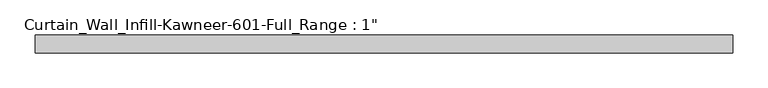
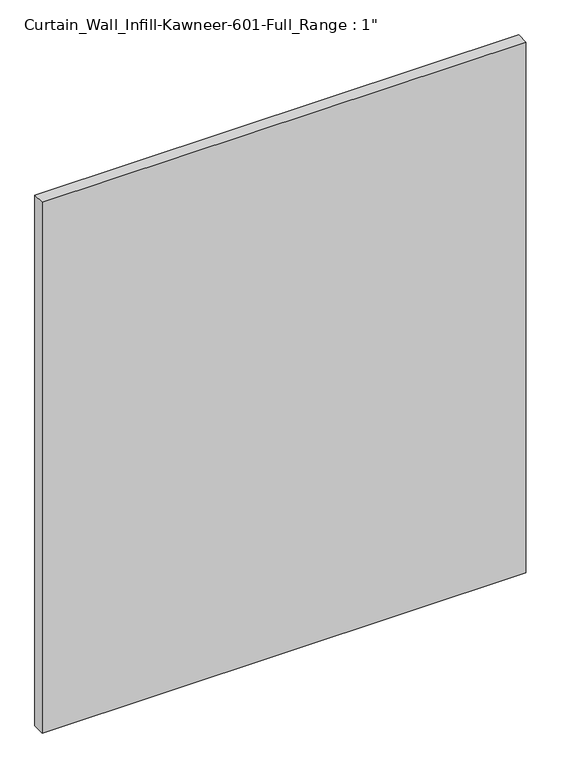
"""IFC4 building model written with IfcOpenShell, lengths in millimetres: plate geometry."""

import ifcopenshell
import ifcopenshell.guid

model = None  # the IFC model being written
_history = None  # IfcOwnerHistory: only IFC2X3 demands one
_inside = {}  # id of a spatial element -> (the spatial element, [elements in it])
_under = {}  # id of a project, library or spatial element -> (it, [spatial elements below it])
_declared = {}  # id of a project -> (the project, [libraries it declares])
_typed = {}  # id of a type object -> (the type object, [elements of that type])
_made_of = {}  # id of a material, layer set ... -> (it, [elements and type objects made of it])


def new_model(schema):
    """Start an empty IFC model of exactly this schema.

    Asked for "IFC4X3", IfcOpenShell would pick the latest addendum, in which some entities
    have other attributes; the version numbers below select the first issue.
    IFC2X3 requires an IfcOwnerHistory on every rooted entity: one is made here for all.
    """
    global model, _history
    if schema == "IFC4X3":
        model = ifcopenshell.file(schema_version=(4, 3, 0, 0))
    else:
        model = ifcopenshell.file(schema=schema)
    _inside.clear()
    _under.clear()
    _declared.clear()
    _typed.clear()
    _made_of.clear()
    _history = None
    if model.schema == "IFC2X3":
        org = make("IfcOrganization", Name="unknown")
        user = make(
            "IfcPersonAndOrganization",
            ThePerson=make("IfcPerson", FamilyName="unknown"),
            TheOrganization=org,
        )
        app = make(
            "IfcApplication",
            ApplicationDeveloper=org,
            Version="unknown",
            ApplicationFullName="unknown",
            ApplicationIdentifier="unknown",
        )
        _history = make(
            "IfcOwnerHistory",
            OwningUser=user,
            OwningApplication=app,
            ChangeAction="ADDED",
            CreationDate=0,
        )
    return model


def make(cls, **values):
    """One entity of the class cls with the attributes given. An attribute that is None is left unset."""
    return model.create_entity(
        cls, **{name: value for name, value in values.items() if value is not None}
    )


def rooted(cls, **values):
    """An entity with a GlobalId (a new one), such as an element, a storey or a relation."""
    return make(cls, GlobalId=ifcopenshell.guid.new(), OwnerHistory=_history, **values)


def si_unit(unit_type, name, prefix=None):
    """IfcSIUnit, for example si_unit("LENGTHUNIT", "METRE", prefix="MILLI")."""
    return make("IfcSIUnit", UnitType=unit_type, Prefix=prefix, Name=name)


def assignment(units):
    """IfcUnitAssignment: the units of a project."""
    return None if units is None else make("IfcUnitAssignment", Units=units)


def point(xyz):
    """IfcCartesianPoint."""
    return None if xyz is None else make("IfcCartesianPoint", Coordinates=xyz)


def direction(xyz):
    """IfcDirection."""
    return None if xyz is None else make("IfcDirection", DirectionRatios=xyz)


def frame(location, z_axis=None, x_axis=None):
    """IfcAxis2Placement3D, a coordinate frame: its origin and axes. An axis left out is left unset."""
    return make(
        "IfcAxis2Placement3D",
        Location=point(location),
        Axis=direction(z_axis),
        RefDirection=direction(x_axis),
    )


def origin():
    """The frame at (0, 0, 0) with its axes left unset."""
    return frame((0.0, 0.0, 0.0))


def origin_with_axes():
    """The frame at (0, 0, 0) with the z axis (0, 0, 1) and the x axis (1, 0, 0) written out."""
    return frame((0.0, 0.0, 0.0), z_axis=(0.0, 0.0, 1.0), x_axis=(1.0, 0.0, 0.0))


def place(relative_to, where):
    """IfcLocalPlacement: puts the frame where relative to a parent placement (None: the world)."""
    return make(
        "IfcLocalPlacement", PlacementRelTo=relative_to, RelativePlacement=where
    )


def context(
    kind, dimensions, precision=None, world=None, true_north=None, identifier=None
):
    """IfcGeometricRepresentationContext, for example the 3D "Model" context."""
    return make(
        "IfcGeometricRepresentationContext",
        ContextIdentifier=identifier,
        ContextType=kind,
        CoordinateSpaceDimension=dimensions,
        Precision=precision,
        WorldCoordinateSystem=world,
        TrueNorth=true_north,
    )


def project(units=None, contexts=None):
    """IfcProject with its units and contexts."""
    return rooted(
        "IfcProject",
        Name="project",
        RepresentationContexts=contexts,
        UnitsInContext=assignment(units),
    )


def spatial(cls, under=None, at=None, **own):
    """A site, building, storey or space (cls), placed at a placement, below another one or the project."""
    s = rooted(cls, ObjectPlacement=at, **own)
    if under is not None:
        _under.setdefault(under.id(), (under, []))[1].append(s)
    return s


def polyline(points):
    """IfcPolyline through the points."""
    return make("IfcPolyline", Points=[point(p) for p in points])


def outline(outer, holes=None, kind="AREA"):
    """IfcArbitraryClosedProfileDef: a profile drawn as a closed curve; with holes, ...WithVoids."""
    if holes is None:
        return make("IfcArbitraryClosedProfileDef", ProfileType=kind, OuterCurve=outer)
    return make(
        "IfcArbitraryProfileDefWithVoids",
        ProfileType=kind,
        OuterCurve=outer,
        InnerCurves=holes,
    )


def extrude(swept, where, along, depth):
    """IfcExtrudedAreaSolid: the profile swept, set in the frame where, extruded along a direction by depth."""
    return make(
        "IfcExtrudedAreaSolid",
        SweptArea=swept,
        Position=where,
        ExtrudedDirection=direction(along),
        Depth=depth,
    )


def shape(context_of_items, identifier, shape_type, items):
    """IfcShapeRepresentation: the items that make up one representation, for example the "Body"."""
    return make(
        "IfcShapeRepresentation",
        ContextOfItems=context_of_items,
        RepresentationIdentifier=identifier,
        RepresentationType=shape_type,
        Items=items,
    )


def source(mapping_origin, context_of_items, identifier, shape_type, items):
    """IfcRepresentationMap: a shape defined once, which mapped items show again and again."""
    return make(
        "IfcRepresentationMap",
        MappingOrigin=mapping_origin,
        MappedRepresentation=shape(context_of_items, identifier, shape_type, items),
    )


def transform(
    local_origin,
    x_axis=None,
    y_axis=None,
    z_axis=None,
    scale=None,
    scale2=None,
    scale3=None,
    uniform=True,
):
    """IfcCartesianTransformationOperator3D, or its non-uniform kind. x_axis, y_axis, z_axis: its Axis1, 2, 3."""
    if uniform:
        return make(
            "IfcCartesianTransformationOperator3D",
            Axis1=direction(x_axis),
            Axis2=direction(y_axis),
            LocalOrigin=point(local_origin),
            Scale=scale,
            Axis3=direction(z_axis),
        )
    return make(
        "IfcCartesianTransformationOperator3DnonUniform",
        Axis1=direction(x_axis),
        Axis2=direction(y_axis),
        LocalOrigin=point(local_origin),
        Scale=scale,
        Axis3=direction(z_axis),
        Scale2=scale2,
        Scale3=scale3,
    )


def mapped(mapping_source, mapping_target):
    """IfcMappedItem: shows the shape of a source again, moved by a transform."""
    return make(
        "IfcMappedItem", MappingSource=mapping_source, MappingTarget=mapping_target
    )


def made_of(thing, what):
    """Note that an element or type object is made of a material, layer set ...; save() writes the relation."""
    if what is not None:
        _made_of.setdefault(what.id(), (what, []))[1].append(thing)
    return thing


def element(
    cls,
    number,
    at=None,
    inside=None,
    cuts=None,
    type_object=None,
    material=None,
    context=None,
    identifier="Body",
    shape_type=None,
    held_by="IfcProductDefinitionShape",
    body=None,
    shapes=None,
    **own,
):
    """One element of the class cls, such as IfcWall. Its Tag is "e" and its number.

    at: its placement. inside: the storey or other place that contains it. cuts: it is an
    opening in that element (IfcRelVoidsElement). A single representation is given by context,
    identifier, shape_type and body (its items); several are given by shapes. held_by: the class
    of the entity that holds the representations. save() writes the other relations.
    """
    e = rooted(cls, Tag="e%d" % number, ObjectPlacement=at, **own)
    if body is not None:
        shapes = [shape(context, identifier, shape_type, body)]
    if shapes is not None:
        e.Representation = make(held_by, Representations=shapes)
    if inside is not None:
        _inside.setdefault(inside.id(), (inside, []))[1].append(e)
    if cuts is not None:
        rooted(
            "IfcRelVoidsElement", RelatingBuildingElement=cuts, RelatedOpeningElement=e
        )
    if type_object is not None:
        _typed.setdefault(type_object.id(), (type_object, []))[1].append(e)
    return made_of(e, material)


def aggregate(whole, parts):
    """IfcRelAggregates: a whole, such as a stair, and the parts it consists of."""
    return rooted("IfcRelAggregates", RelatingObject=whole, RelatedObjects=parts)


def save(model, path):
    """Write the relations noted so far, then the file.

    IfcRelAggregates (storeys below a building ...), IfcRelContainedInSpatialStructure (elements
    in a storey), IfcRelDefinesByType, IfcRelAssociatesMaterial and IfcRelDeclares: one each for
    every whole, place, type object, material and project.
    """
    for whole, parts in _under.values():
        aggregate(whole, parts)
    for where, things in _inside.values():
        rooted(
            "IfcRelContainedInSpatialStructure",
            RelatedElements=things,
            RelatingStructure=where,
        )
    for kind, things in _typed.values():
        rooted("IfcRelDefinesByType", RelatedObjects=things, RelatingType=kind)
    for what, things in _made_of.values():
        rooted("IfcRelAssociatesMaterial", RelatedObjects=things, RelatingMaterial=what)
    for by, libraries in _declared.values():
        rooted("IfcRelDeclares", RelatingContext=by, RelatedDefinitions=libraries)
    model.write(path)


def plate_ccaf187b(model_context):
    return source(origin(), model_context, "Body", "SweptSolid", [
        extrude(outline(polyline([(-495.3, 12.7), (495.3, 12.7), (495.3, -12.7), (-495.3, -12.7), (-495.3, 12.7)])), origin_with_axes(), (0.0, 0.0, 1.0), 1149.35),
    ])


if __name__ == "__main__":
    model = new_model("IFC4")
    model_context = context("Model", 3, world=origin())
    ifc_project = project(units=[si_unit("LENGTHUNIT", "METRE", prefix="MILLI")], contexts=[model_context])
    site = spatial("IfcSite", under=ifc_project)
    building = spatial("IfcBuilding", under=site)
    placement = place(None, origin())
    plate_shape = plate_ccaf187b(model_context)
    element("IfcPlate", 1, ObjectType="Curtain_Wall_Infill-Kawneer-601-Full_Range : 1\"", at=placement, inside=building, context=model_context, shape_type="MappedRepresentation", body=[
        mapped(plate_shape, transform((0.0, 0.0, 0.0), x_axis=(1.0, 0.0, 0.0), y_axis=(0.0, 1.0, 0.0), z_axis=(0.0, 0.0, 1.0))),
    ])
    save(model, "model.ifc")
